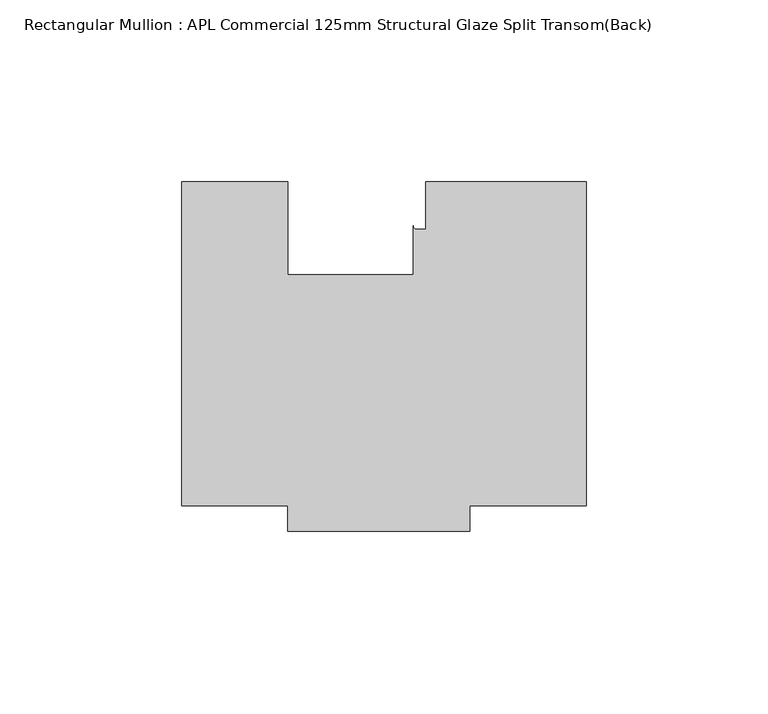
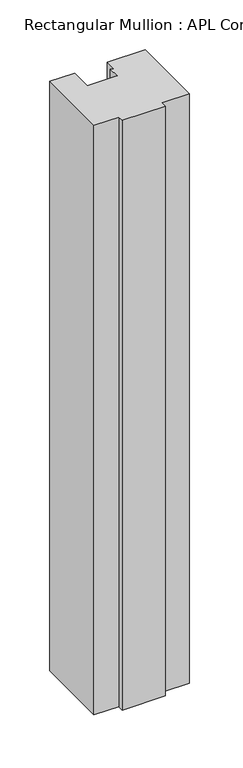
"""IFC4 building model written with IfcOpenShell, lengths in millimetres: member geometry, Rectangular Mullion : APL Commercial 125mm Structural Glaze Split Transom(Back)."""

from ifc_helpers import new_model, si_unit, point, frame, frame_2d, origin, place, context, project, spatial, polyline, circle_curve, trimmed, segment, composite_curve, outline, extrude, source, transform, mapped, element, save


def rectangular_mullion_apl_commercial_125mm_structural_glaze_14295523(model_context):
    return source(origin(), model_context, "Body", "SweptSolid", [
        extrude(outline(composite_curve([segment(polyline([(54.0000029, -15.0004617), (54.0000029, -104.0), (22.0028846, -104.0), (22.0028846, -111.0), (-27.9971154, -111.0), (-27.9971154, -103.9999439), (-57.0000004, -103.9999439), (-57.0000004, -15.0001793), (-28.0000482, -15.0001793), (-28.0000482, -40.499932), (6.5000029, -40.499932), (6.5000029, -27.0002131)]), True, "CONTINUOUS"), segment(trimmed(circle_curve(frame_2d((7.5000029, -27.0002131)), 1.0), [point((6.5000029, -27.0002131))], [point((7.5000029, -28.0002131))], True, "CARTESIAN"), True, "CONTINUOUS"), segment(polyline([(7.5000029, -28.0002131), (10.0000029, -28.0002131), (10.0000029, -15.0004617), (54.0000029, -15.0004617)]), True, "CONTINUOUS")], self_intersect=False)), frame((0.0, 0.0, -724.000019), z_axis=(0.0, 0.0, 1.0), x_axis=(1.0, 0.0, 0.0)), (0.0, 0.0, 1.0), 724.000019),
    ])


if __name__ == "__main__":
    model = new_model("IFC4")
    model_context = context("Model", 3, world=origin())
    ifc_project = project(units=[si_unit("LENGTHUNIT", "METRE", prefix="MILLI")], contexts=[model_context])
    site = spatial("IfcSite", under=ifc_project)
    building = spatial("IfcBuilding", under=site)
    placement = place(None, origin())
    rectangular_mullion_apl_commercial_125mm_structural_glaze_shape = rectangular_mullion_apl_commercial_125mm_structural_glaze_14295523(model_context)
    element("IfcMember", 1, ObjectType="Rectangular Mullion : APL Commercial 125mm Structural Glaze Split Transom(Back)", at=placement, inside=building, context=model_context, shape_type="MappedRepresentation", body=[
        mapped(rectangular_mullion_apl_commercial_125mm_structural_glaze_shape, transform((0.0, 0.0, 0.0), x_axis=(1.0, 0.0, 0.0), y_axis=(0.0, 1.0, 0.0), z_axis=(0.0, 0.0, 1.0))),
    ])
    save(model, "model.ifc")
